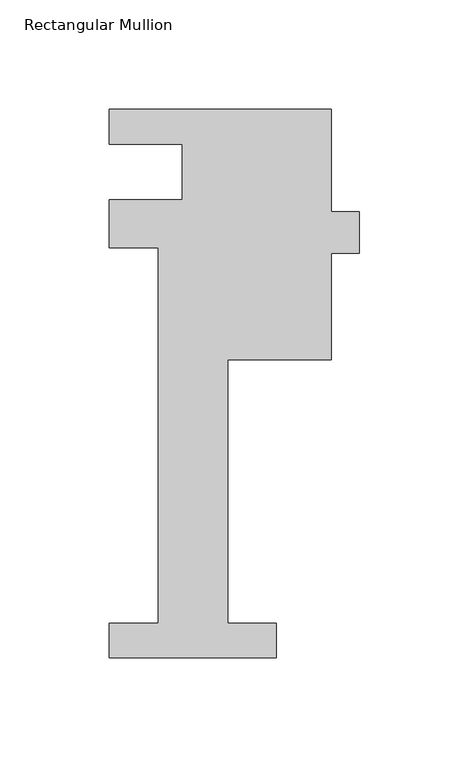
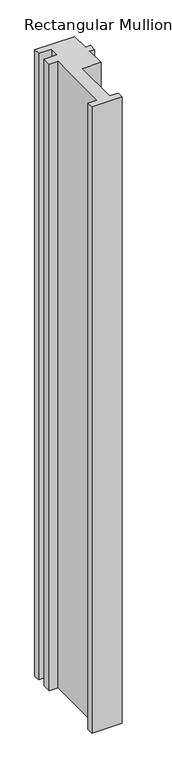
"""IFC4 building model written with IfcOpenShell, lengths in millimetres: member geometry, Rectangular Mullion."""

from ifc_helpers import new_model, si_unit, frame, origin, place, context, project, spatial, polyline, outline, extrude, source, transform, mapped, element, save


def rectangular_mullion_a79fe218(model_context):
    return source(origin(), model_context, "Body", "SweptSolid", [
        extrude(outline(polyline([(38.1, -221.996), (-38.1, -221.996), (-38.1, -206.121), (-15.875, -206.121), (-15.875, -34.671), (-38.1, -34.671), (-38.1, -12.7), (-4.7625, -12.7), (-4.7625, 12.7), (-38.1, 12.7), (-38.1, 28.5554197), (63.2464382, 28.5554197), (63.2464382, -18.1655784), (75.9552088, -18.1655784), (75.9552088, -37.2155784), (63.2464382, -37.2155784), (63.2464382, -85.7445803), (15.875, -85.7445803), (15.875, -206.121), (38.1, -206.121), (38.1, -221.996)])), frame((0.0, 0.0, -1676.4), z_axis=(0.0, 0.0, 1.0), x_axis=(1.0, 0.0, 0.0)), (0.0, 0.0, 1.0), 1676.4),
    ])


if __name__ == "__main__":
    model = new_model("IFC4")
    model_context = context("Model", 3, world=origin())
    ifc_project = project(units=[si_unit("LENGTHUNIT", "METRE", prefix="MILLI")], contexts=[model_context])
    site = spatial("IfcSite", under=ifc_project)
    building = spatial("IfcBuilding", under=site)
    placement = place(None, origin())
    rectangular_mullion_shape = rectangular_mullion_a79fe218(model_context)
    element("IfcMember", 1, ObjectType="Rectangular Mullion", at=placement, inside=building, context=model_context, shape_type="MappedRepresentation", body=[
        mapped(rectangular_mullion_shape, transform((0.0, 0.0, 0.0), x_axis=(1.0, 0.0, 0.0), y_axis=(0.0, 1.0, 0.0), z_axis=(0.0, 0.0, 1.0))),
    ])
    save(model, "model.ifc")
